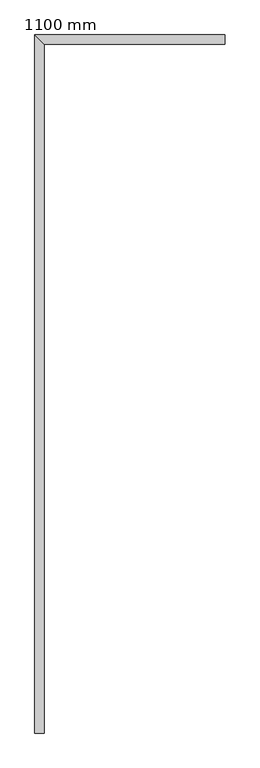
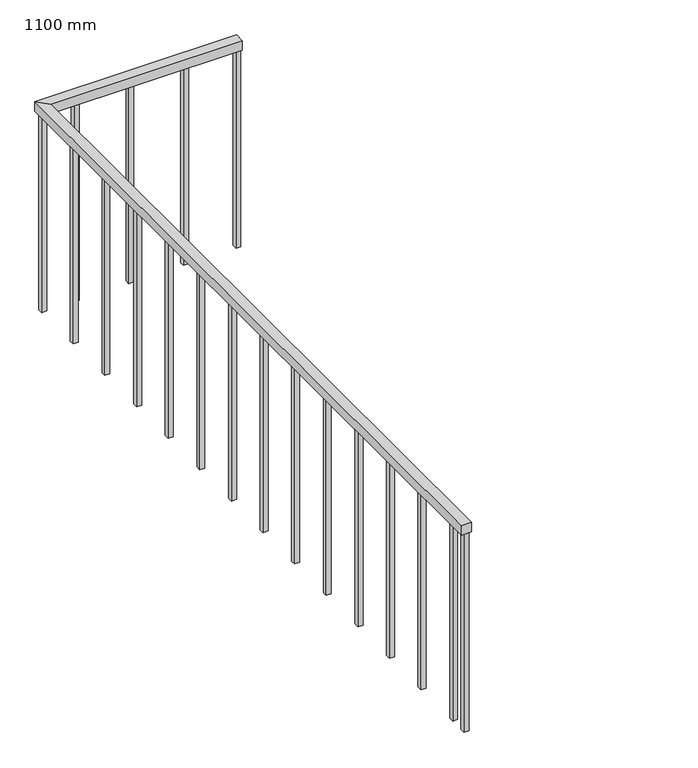
"""IFC4 building model written with IfcOpenShell, lengths in millimetres: railing geometry, 1100 mm."""

from ifc_helpers import new_model, si_unit, frame, origin, place, context, project, spatial, polyline, outline, extrude, faceted_brep, source, transform, mapped, element, save


def railing_1100_mm_784d69b8(model_context):
    return source(origin(), model_context, "Body", "SolidModel", [
        faceted_brep([(309.5275333, 2452.4523768, 5300.0), (309.5275333, 2402.4523768, 5300.0), (309.5275333, 2402.4523768, 5250.0), (309.5275333, 2452.4523768, 5250.0), (-702.9724667, 2452.4523768, 5300.0), (-652.9724667, 2402.4523768, 5300.0), (-652.9724667, 2402.4523768, 5250.0), (-702.9724667, 2452.4523768, 5250.0), (-702.9724667, -1257.5476232, 5300.0), (-702.9724667, -1257.5476232, 5250.0), (-652.9724667, -1257.5476232, 5250.0), (-652.9724667, -1257.5476232, 5300.0)], [[[0, 1, 2, 3]], [[1, 0, 4, 5]], [[2, 1, 5, 6]], [[3, 2, 6, 7]], [[0, 3, 7, 4]], [[8, 9, 10, 11]], [[5, 4, 8, 11]], [[6, 5, 11, 10]], [[7, 6, 10, 9]], [[4, 7, 9, 8]]]),
        extrude(outline(polyline([(-690.4724667, -1135.0476232), (-665.4724667, -1135.0476232), (-665.4724667, -1160.0476232), (-690.4724667, -1160.0476232), (-690.4724667, -1135.0476232)])), frame((0.0, 0.0, 4200.0), z_axis=(0.0, 0.0, 1.0), x_axis=(1.0, 0.0, 0.0)), (0.0, 0.0, 1.0), 1050.0),
        extrude(outline(polyline([(-690.4724667, -860.0476232), (-665.4724667, -860.0476232), (-665.4724667, -885.0476232), (-690.4724667, -885.0476232), (-690.4724667, -860.0476232)])), frame((0.0, 0.0, 4200.0), z_axis=(0.0, 0.0, 1.0), x_axis=(1.0, 0.0, 0.0)), (0.0, 0.0, 1.0), 1050.0),
        extrude(outline(polyline([(-690.4724667, -585.0476232), (-665.4724667, -585.0476232), (-665.4724667, -610.0476232), (-690.4724667, -610.0476232), (-690.4724667, -585.0476232)])), frame((0.0, 0.0, 4200.0), z_axis=(0.0, 0.0, 1.0), x_axis=(1.0, 0.0, 0.0)), (0.0, 0.0, 1.0), 1050.0),
        extrude(outline(polyline([(-690.4724667, -310.0476232), (-665.4724667, -310.0476232), (-665.4724667, -335.0476232), (-690.4724667, -335.0476232), (-690.4724667, -310.0476232)])), frame((0.0, 0.0, 4200.0), z_axis=(0.0, 0.0, 1.0), x_axis=(1.0, 0.0, 0.0)), (0.0, 0.0, 1.0), 1050.0),
        extrude(outline(polyline([(-690.4724667, -35.0476232), (-665.4724667, -35.0476232), (-665.4724667, -60.0476232), (-690.4724667, -60.0476232), (-690.4724667, -35.0476232)])), frame((0.0, 0.0, 4200.0), z_axis=(0.0, 0.0, 1.0), x_axis=(1.0, 0.0, 0.0)), (0.0, 0.0, 1.0), 1050.0),
        extrude(outline(polyline([(-690.4724667, 239.9523768), (-665.4724667, 239.9523768), (-665.4724667, 214.9523768), (-690.4724667, 214.9523768), (-690.4724667, 239.9523768)])), frame((0.0, 0.0, 4200.0), z_axis=(0.0, 0.0, 1.0), x_axis=(1.0, 0.0, 0.0)), (0.0, 0.0, 1.0), 1050.0),
        extrude(outline(polyline([(-690.4724667, 514.9523768), (-665.4724667, 514.9523768), (-665.4724667, 489.9523768), (-690.4724667, 489.9523768), (-690.4724667, 514.9523768)])), frame((0.0, 0.0, 4200.0), z_axis=(0.0, 0.0, 1.0), x_axis=(1.0, 0.0, 0.0)), (0.0, 0.0, 1.0), 1050.0),
        extrude(outline(polyline([(-690.4724667, 789.9523768), (-665.4724667, 789.9523768), (-665.4724667, 764.9523768), (-690.4724667, 764.9523768), (-690.4724667, 789.9523768)])), frame((0.0, 0.0, 4200.0), z_axis=(0.0, 0.0, 1.0), x_axis=(1.0, 0.0, 0.0)), (0.0, 0.0, 1.0), 1050.0),
        extrude(outline(polyline([(-690.4724667, 1064.9523768), (-665.4724667, 1064.9523768), (-665.4724667, 1039.9523768), (-690.4724667, 1039.9523768), (-690.4724667, 1064.9523768)])), frame((0.0, 0.0, 4200.0), z_axis=(0.0, 0.0, 1.0), x_axis=(1.0, 0.0, 0.0)), (0.0, 0.0, 1.0), 1050.0),
        extrude(outline(polyline([(-690.4724667, 1339.9523768), (-665.4724667, 1339.9523768), (-665.4724667, 1314.9523768), (-690.4724667, 1314.9523768), (-690.4724667, 1339.9523768)])), frame((0.0, 0.0, 4200.0), z_axis=(0.0, 0.0, 1.0), x_axis=(1.0, 0.0, 0.0)), (0.0, 0.0, 1.0), 1050.0),
        extrude(outline(polyline([(-690.4724667, 1614.9523768), (-665.4724667, 1614.9523768), (-665.4724667, 1589.9523768), (-690.4724667, 1589.9523768), (-690.4724667, 1614.9523768)])), frame((0.0, 0.0, 4200.0), z_axis=(0.0, 0.0, 1.0), x_axis=(1.0, 0.0, 0.0)), (0.0, 0.0, 1.0), 1050.0),
        extrude(outline(polyline([(-690.4724667, 1889.9523768), (-665.4724667, 1889.9523768), (-665.4724667, 1864.9523768), (-690.4724667, 1864.9523768), (-690.4724667, 1889.9523768)])), frame((0.0, 0.0, 4200.0), z_axis=(0.0, 0.0, 1.0), x_axis=(1.0, 0.0, 0.0)), (0.0, 0.0, 1.0), 1050.0),
        extrude(outline(polyline([(-690.4724667, 2164.9523768), (-665.4724667, 2164.9523768), (-665.4724667, 2139.9523768), (-690.4724667, 2139.9523768), (-690.4724667, 2164.9523768)])), frame((0.0, 0.0, 4200.0), z_axis=(0.0, 0.0, 1.0), x_axis=(1.0, 0.0, 0.0)), (0.0, 0.0, 1.0), 1050.0),
        extrude(outline(polyline([(-502.9724667, 2439.9523768), (-502.9724667, 2414.9523768), (-527.9724667, 2414.9523768), (-527.9724667, 2439.9523768), (-502.9724667, 2439.9523768)])), frame((0.0, 0.0, 4200.0), z_axis=(0.0, 0.0, 1.0), x_axis=(1.0, 0.0, 0.0)), (0.0, 0.0, 1.0), 1050.0),
        extrude(outline(polyline([(-227.9724667, 2439.9523768), (-227.9724667, 2414.9523768), (-252.9724667, 2414.9523768), (-252.9724667, 2439.9523768), (-227.9724667, 2439.9523768)])), frame((0.0, 0.0, 4200.0), z_axis=(0.0, 0.0, 1.0), x_axis=(1.0, 0.0, 0.0)), (0.0, 0.0, 1.0), 1050.0),
        extrude(outline(polyline([(47.0275333, 2439.9523768), (47.0275333, 2414.9523768), (22.0275333, 2414.9523768), (22.0275333, 2439.9523768), (47.0275333, 2439.9523768)])), frame((0.0, 0.0, 4200.0), z_axis=(0.0, 0.0, 1.0), x_axis=(1.0, 0.0, 0.0)), (0.0, 0.0, 1.0), 1050.0),
        extrude(outline(polyline([(-665.4724667, 2439.9523768), (-665.4724667, 2414.9523768), (-690.4724667, 2414.9523768), (-690.4724667, 2439.9523768), (-665.4724667, 2439.9523768)])), frame((0.0, 0.0, 4200.0), z_axis=(0.0, 0.0, 1.0), x_axis=(1.0, 0.0, 0.0)), (0.0, 0.0, 1.0), 1050.0),
        extrude(outline(polyline([(-690.4724667, -1232.5476232), (-665.4724667, -1232.5476232), (-665.4724667, -1257.5476232), (-690.4724667, -1257.5476232), (-690.4724667, -1232.5476232)])), frame((0.0, 0.0, 4200.0), z_axis=(0.0, 0.0, 1.0), x_axis=(1.0, 0.0, 0.0)), (0.0, 0.0, 1.0), 1050.0),
        extrude(outline(polyline([(309.5275333, 2439.9523768), (309.5275333, 2414.9523768), (284.5275333, 2414.9523768), (284.5275333, 2439.9523768), (309.5275333, 2439.9523768)])), frame((0.0, 0.0, 4200.0), z_axis=(0.0, 0.0, 1.0), x_axis=(1.0, 0.0, 0.0)), (0.0, 0.0, 1.0), 1050.0),
    ])


if __name__ == "__main__":
    model = new_model("IFC4")
    model_context = context("Model", 3, world=origin())
    ifc_project = project(units=[si_unit("LENGTHUNIT", "METRE", prefix="MILLI")], contexts=[model_context])
    site = spatial("IfcSite", under=ifc_project)
    building = spatial("IfcBuilding", under=site)
    placement = place(None, origin())
    railing_1100_mm_shape = railing_1100_mm_784d69b8(model_context)
    element("IfcRailing", 1, ObjectType="1100 mm", at=placement, inside=building, context=model_context, shape_type="MappedRepresentation", body=[
        mapped(railing_1100_mm_shape, transform((0.0, 0.0, 0.0), x_axis=(1.0, 0.0, 0.0), y_axis=(0.0, 1.0, 0.0), z_axis=(0.0, 0.0, 1.0))),
    ])
    save(model, "model.ifc")
